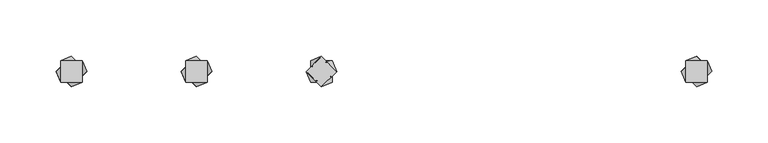
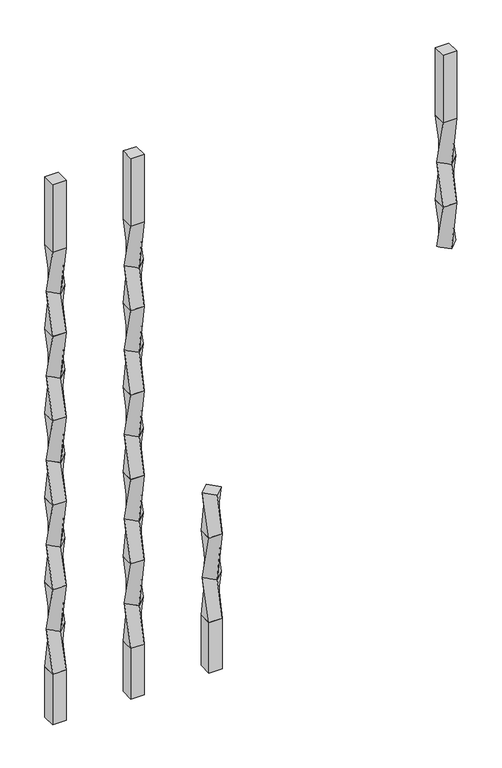
"""IFC4 building model written with IfcOpenShell, lengths in millimetres: proxy geometry."""

from ifc_helpers import new_model, si_unit, frame, origin, place, context, project, spatial, polyline, outline, extrude, source, transform, mapped, element, save
from ifc_brep_helpers import plane_surface, spline_surface, advanced_brep


def specialty_equipment_c4188301(model_context):
    return source(origin(), model_context, "Body", "SolidModel", [
        advanced_brep(
        [(0.0, 13.4703842, 368.3), (-13.4703842, 0.0, 368.3), (0.0, -13.4703842, 368.3), (13.4703842, 0.0, 368.3), (-9.525, 9.525, 304.8), (9.525, 9.525, 304.8), (9.525, -9.525, 304.8), (-9.525, -9.525, 304.8)],
        [
            (0, 1),
            (1, 2),
            (2, 3),
            (3, 0),
            (4, 5),
            (5, 6),
            (6, 7),
            (7, 4),
            (4, 0),
            (3, 5),
            (2, 6),
            (1, 7),
        ],
        [
            plane_surface(frame((0.0, 0.0, 368.3), z_axis=(0.0, 0.0, 1.0000000000000002), x_axis=(0.7071067811865481, -0.707106781186547, 0.0))),
            plane_surface(frame((0.0, 0.0, 304.8), z_axis=(0.0, 0.0, -1.0000000000000002), x_axis=(0.7071067811865481, -0.707106781186547, 0.0))),
            spline_surface(1, 1, [[(9.525, 9.525, 304.8), (13.4703842, 0.0, 368.3)], [(-9.525, 9.525, 304.8), (0.0, 13.4703842, 368.3)]], [2, 2], [2, 2], [0.0, 1.0], [0.0, 1.0]),
            spline_surface(1, 1, [[(9.525, -9.525, 304.8), (0.0, -13.4703842, 368.3)], [(9.525, 9.525, 304.8), (13.4703842, 0.0, 368.3)]], [2, 2], [2, 2], [0.0, 1.0], [0.0, 1.0]),
            spline_surface(1, 1, [[(-9.525, -9.525, 304.8), (-13.4703842, 0.0, 368.3)], [(9.525, -9.525, 304.8), (0.0, -13.4703842, 368.3)]], [2, 2], [2, 2], [0.0, 1.0], [0.0, 1.0]),
            spline_surface(1, 1, [[(-9.525, 9.525, 304.8), (0.0, 13.4703842, 368.3)], [(-9.525, -9.525, 304.8), (-13.4703842, 0.0, 368.3)]], [2, 2], [2, 2], [0.0, 1.0], [0.0, 1.0]),
        ],
        [
            (0, [[1, 2, 3, 4]]),
            (1, [[5, 6, 7, 8]]),
            (2, [[-5, 9, -4, 10]]),
            (3, [[-6, -10, -3, 11]]),
            (4, [[-7, -11, -2, 12]]),
            (5, [[-8, -12, -1, -9]]),
        ],
    ),
        advanced_brep(
        [(-9.525, 9.525, 304.8), (-9.525, -9.525, 304.8), (9.525, -9.525, 304.8), (9.525, 9.525, 304.8), (0.0, 13.4703842, 241.3), (13.4703842, 0.0, 241.3), (0.0, -13.4703842, 241.3), (-13.4703842, 0.0, 241.3)],
        [
            (0, 1),
            (1, 2),
            (2, 3),
            (3, 0),
            (4, 5),
            (5, 6),
            (6, 7),
            (7, 4),
            (4, 0),
            (3, 5),
            (2, 6),
            (1, 7),
        ],
        [
            plane_surface(frame((0.0, 0.0, 304.8), z_axis=(0.0, 0.0, 1.0), x_axis=(0.0, -1.0, 0.0))),
            plane_surface(frame((0.0, 0.0, 241.3), z_axis=(0.0, 0.0, -1.0), x_axis=(0.0, -1.0, 0.0))),
            spline_surface(1, 1, [[(13.4703842, 0.0, 241.3), (9.525, 9.525, 304.8)], [(0.0, 13.4703842, 241.3), (-9.525, 9.525, 304.8)]], [2, 2], [2, 2], [0.0, 1.0], [0.0, 1.0]),
            spline_surface(1, 1, [[(0.0, -13.4703842, 241.3), (9.525, -9.525, 304.8)], [(13.4703842, 0.0, 241.3), (9.525, 9.525, 304.8)]], [2, 2], [2, 2], [0.0, 1.0], [0.0, 1.0]),
            spline_surface(1, 1, [[(-13.4703842, 0.0, 241.3), (-9.525, -9.525, 304.8)], [(0.0, -13.4703842, 241.3), (9.525, -9.525, 304.8)]], [2, 2], [2, 2], [0.0, 1.0], [0.0, 1.0]),
            spline_surface(1, 1, [[(0.0, 13.4703842, 241.3), (-9.525, 9.525, 304.8)], [(-13.4703842, 0.0, 241.3), (-9.525, -9.525, 304.8)]], [2, 2], [2, 2], [0.0, 1.0], [0.0, 1.0]),
        ],
        [
            (0, [[1, 2, 3, 4]]),
            (1, [[5, 6, 7, 8]]),
            (2, [[-5, 9, -4, 10]]),
            (3, [[-6, -10, -3, 11]]),
            (4, [[-7, -11, -2, 12]]),
            (5, [[-8, -12, -1, -9]]),
        ],
    ),
        advanced_brep(
        [(0.0, 13.4703842, 241.3), (-13.4703842, 0.0, 241.3), (0.0, -13.4703842, 241.3), (13.4703842, 0.0, 241.3), (-9.525, 9.525, 177.8), (9.525, 9.525, 177.8), (9.525, -9.525, 177.8), (-9.525, -9.525, 177.8)],
        [
            (0, 1),
            (1, 2),
            (2, 3),
            (3, 0),
            (4, 5),
            (5, 6),
            (6, 7),
            (7, 4),
            (4, 0),
            (3, 5),
            (2, 6),
            (1, 7),
        ],
        [
            plane_surface(frame((0.0, 0.0, 241.3), z_axis=(0.0, 0.0, 1.0000000000000002), x_axis=(0.7071067811865481, -0.707106781186547, 0.0))),
            plane_surface(frame((0.0, 0.0, 177.8), z_axis=(0.0, 0.0, -1.0000000000000002), x_axis=(0.7071067811865481, -0.707106781186547, 0.0))),
            spline_surface(1, 1, [[(9.525, 9.525, 177.8), (13.4703842, 0.0, 241.3)], [(-9.525, 9.525, 177.8), (0.0, 13.4703842, 241.3)]], [2, 2], [2, 2], [0.0, 1.0], [0.0, 1.0]),
            spline_surface(1, 1, [[(9.525, -9.525, 177.8), (0.0, -13.4703842, 241.3)], [(9.525, 9.525, 177.8), (13.4703842, 0.0, 241.3)]], [2, 2], [2, 2], [0.0, 1.0], [0.0, 1.0]),
            spline_surface(1, 1, [[(-9.525, -9.525, 177.8), (-13.4703842, 0.0, 241.3)], [(9.525, -9.525, 177.8), (0.0, -13.4703842, 241.3)]], [2, 2], [2, 2], [0.0, 1.0], [0.0, 1.0]),
            spline_surface(1, 1, [[(-9.525, 9.525, 177.8), (0.0, 13.4703842, 241.3)], [(-9.525, -9.525, 177.8), (-13.4703842, 0.0, 241.3)]], [2, 2], [2, 2], [0.0, 1.0], [0.0, 1.0]),
        ],
        [
            (0, [[1, 2, 3, 4]]),
            (1, [[5, 6, 7, 8]]),
            (2, [[-5, 9, -4, 10]]),
            (3, [[-6, -10, -3, 11]]),
            (4, [[-7, -11, -2, 12]]),
            (5, [[-8, -12, -1, -9]]),
        ],
    ),
        extrude(outline(polyline([(9.525, 9.525), (9.525, -9.525), (-9.525, -9.525), (-9.525, 9.525), (9.525, 9.525)])), frame((0.0, 0.0, 101.6), z_axis=(0.0, 0.0, 1.0), x_axis=(1.0, 0.0, 0.0)), (0.0, 0.0, 1.0), 76.2),
        extrude(outline(polyline([(-101.6, 9.525), (-101.6, -9.525), (-120.65, -9.525), (-120.65, 9.525), (-101.6, 9.525)])), frame((0.0, 0.0, 812.8), z_axis=(0.0, 0.0, 1.0), x_axis=(1.0, 0.0, 0.0)), (0.0, 0.0, 1.0), 101.6),
        advanced_brep(
        [(-120.65, 9.525, 812.8), (-120.65, -9.525, 812.8), (-101.6, -9.525, 812.8), (-101.6, 9.525, 812.8), (-111.125, 13.4703842, 749.3), (-97.6546158, 0.0, 749.3), (-111.125, -13.4703842, 749.3), (-124.5953842, 0.0, 749.3)],
        [
            (0, 1),
            (1, 2),
            (2, 3),
            (3, 0),
            (4, 5),
            (5, 6),
            (6, 7),
            (7, 4),
            (4, 0),
            (3, 5),
            (2, 6),
            (1, 7),
        ],
        [
            plane_surface(frame((-111.125, 0.0, 812.8), z_axis=(0.0, 0.0, 1.0), x_axis=(0.0, -1.0, 0.0))),
            plane_surface(frame((-111.125, 0.0, 749.3), z_axis=(0.0, 0.0, -1.0), x_axis=(0.0, -1.0, 0.0))),
            spline_surface(1, 1, [[(-97.6546158, 0.0, 749.3), (-101.6, 9.525, 812.8)], [(-111.125, 13.4703842, 749.3), (-120.65, 9.525, 812.8)]], [2, 2], [2, 2], [0.0, 1.0], [0.0, 1.0]),
            spline_surface(1, 1, [[(-111.125, -13.4703842, 749.3), (-101.6, -9.525, 812.8)], [(-97.6546158, 0.0, 749.3), (-101.6, 9.525, 812.8)]], [2, 2], [2, 2], [0.0, 1.0], [0.0, 1.0]),
            spline_surface(1, 1, [[(-124.5953842, 0.0, 749.3), (-120.65, -9.525, 812.8)], [(-111.125, -13.4703842, 749.3), (-101.6, -9.525, 812.8)]], [2, 2], [2, 2], [0.0, 1.0], [0.0, 1.0]),
            spline_surface(1, 1, [[(-111.125, 13.4703842, 749.3), (-120.65, 9.525, 812.8)], [(-124.5953842, 0.0, 749.3), (-120.65, -9.525, 812.8)]], [2, 2], [2, 2], [0.0, 1.0], [0.0, 1.0]),
        ],
        [
            (0, [[1, 2, 3, 4]]),
            (1, [[5, 6, 7, 8]]),
            (2, [[-5, 9, -4, 10]]),
            (3, [[-6, -10, -3, 11]]),
            (4, [[-7, -11, -2, 12]]),
            (5, [[-8, -12, -1, -9]]),
        ],
    ),
        advanced_brep(
        [(-111.125, 13.4703842, 749.3), (-124.5953842, 0.0, 749.3), (-111.125, -13.4703842, 749.3), (-97.6546158, 0.0, 749.3), (-120.65, 9.525, 685.8), (-101.6, 9.525, 685.8), (-101.6, -9.525, 685.8), (-120.65, -9.525, 685.8)],
        [
            (0, 1),
            (1, 2),
            (2, 3),
            (3, 0),
            (4, 5),
            (5, 6),
            (6, 7),
            (7, 4),
            (4, 0),
            (3, 5),
            (2, 6),
            (1, 7),
        ],
        [
            plane_surface(frame((-111.125, 0.0, 749.3), z_axis=(0.0, 0.0, 1.0000000000000002), x_axis=(0.7071067811865481, -0.707106781186547, 0.0))),
            plane_surface(frame((-111.125, 0.0, 685.8), z_axis=(0.0, 0.0, -1.0000000000000002), x_axis=(0.7071067811865481, -0.707106781186547, 0.0))),
            spline_surface(1, 1, [[(-101.6, 9.525, 685.8), (-97.6546158, 0.0, 749.3)], [(-120.65, 9.525, 685.8), (-111.125, 13.4703842, 749.3)]], [2, 2], [2, 2], [0.0, 1.0], [0.0, 1.0]),
            spline_surface(1, 1, [[(-101.6, -9.525, 685.8), (-111.125, -13.4703842, 749.3)], [(-101.6, 9.525, 685.8), (-97.6546158, 0.0, 749.3)]], [2, 2], [2, 2], [0.0, 1.0], [0.0, 1.0]),
            spline_surface(1, 1, [[(-120.65, -9.525, 685.8), (-124.5953842, 0.0, 749.3)], [(-101.6, -9.525, 685.8), (-111.125, -13.4703842, 749.3)]], [2, 2], [2, 2], [0.0, 1.0], [0.0, 1.0]),
            spline_surface(1, 1, [[(-120.65, 9.525, 685.8), (-111.125, 13.4703842, 749.3)], [(-120.65, -9.525, 685.8), (-124.5953842, 0.0, 749.3)]], [2, 2], [2, 2], [0.0, 1.0], [0.0, 1.0]),
        ],
        [
            (0, [[1, 2, 3, 4]]),
            (1, [[5, 6, 7, 8]]),
            (2, [[-5, 9, -4, 10]]),
            (3, [[-6, -10, -3, 11]]),
            (4, [[-7, -11, -2, 12]]),
            (5, [[-8, -12, -1, -9]]),
        ],
    ),
        advanced_brep(
        [(-120.65, 9.525, 685.8), (-120.65, -9.525, 685.8), (-101.6, -9.525, 685.8), (-101.6, 9.525, 685.8), (-111.125, 13.4703842, 622.3), (-97.6546158, 0.0, 622.3), (-111.125, -13.4703842, 622.3), (-124.5953842, 0.0, 622.3)],
        [
            (0, 1),
            (1, 2),
            (2, 3),
            (3, 0),
            (4, 5),
            (5, 6),
            (6, 7),
            (7, 4),
            (4, 0),
            (3, 5),
            (2, 6),
            (1, 7),
        ],
        [
            plane_surface(frame((-111.125, 0.0, 685.8), z_axis=(0.0, 0.0, 1.0), x_axis=(0.0, -1.0, 0.0))),
            plane_surface(frame((-111.125, 0.0, 622.3), z_axis=(0.0, 0.0, -1.0), x_axis=(0.0, -1.0, 0.0))),
            spline_surface(1, 1, [[(-97.6546158, 0.0, 622.3), (-101.6, 9.525, 685.8)], [(-111.125, 13.4703842, 622.3), (-120.65, 9.525, 685.8)]], [2, 2], [2, 2], [0.0, 1.0], [0.0, 1.0]),
            spline_surface(1, 1, [[(-111.125, -13.4703842, 622.3), (-101.6, -9.525, 685.8)], [(-97.6546158, 0.0, 622.3), (-101.6, 9.525, 685.8)]], [2, 2], [2, 2], [0.0, 1.0], [0.0, 1.0]),
            spline_surface(1, 1, [[(-124.5953842, 0.0, 622.3), (-120.65, -9.525, 685.8)], [(-111.125, -13.4703842, 622.3), (-101.6, -9.525, 685.8)]], [2, 2], [2, 2], [0.0, 1.0], [0.0, 1.0]),
            spline_surface(1, 1, [[(-111.125, 13.4703842, 622.3), (-120.65, 9.525, 685.8)], [(-124.5953842, 0.0, 622.3), (-120.65, -9.525, 685.8)]], [2, 2], [2, 2], [0.0, 1.0], [0.0, 1.0]),
        ],
        [
            (0, [[1, 2, 3, 4]]),
            (1, [[5, 6, 7, 8]]),
            (2, [[-5, 9, -4, 10]]),
            (3, [[-6, -10, -3, 11]]),
            (4, [[-7, -11, -2, 12]]),
            (5, [[-8, -12, -1, -9]]),
        ],
    ),
        advanced_brep(
        [(-111.125, 13.4703842, 622.3), (-124.5953842, 0.0, 622.3), (-111.125, -13.4703842, 622.3), (-97.6546158, 0.0, 622.3), (-120.65, 9.525, 558.8), (-101.6, 9.525, 558.8), (-101.6, -9.525, 558.8), (-120.65, -9.525, 558.8)],
        [
            (0, 1),
            (1, 2),
            (2, 3),
            (3, 0),
            (4, 5),
            (5, 6),
            (6, 7),
            (7, 4),
            (4, 0),
            (3, 5),
            (2, 6),
            (1, 7),
        ],
        [
            plane_surface(frame((-111.125, 0.0, 622.3), z_axis=(0.0, 0.0, 1.0000000000000002), x_axis=(0.7071067811865481, -0.707106781186547, 0.0))),
            plane_surface(frame((-111.125, 0.0, 558.8), z_axis=(0.0, 0.0, -1.0000000000000002), x_axis=(0.7071067811865481, -0.707106781186547, 0.0))),
            spline_surface(1, 1, [[(-101.6, 9.525, 558.8), (-97.6546158, 0.0, 622.3)], [(-120.65, 9.525, 558.8), (-111.125, 13.4703842, 622.3)]], [2, 2], [2, 2], [0.0, 1.0], [0.0, 1.0]),
            spline_surface(1, 1, [[(-101.6, -9.525, 558.8), (-111.125, -13.4703842, 622.3)], [(-101.6, 9.525, 558.8), (-97.6546158, 0.0, 622.3)]], [2, 2], [2, 2], [0.0, 1.0], [0.0, 1.0]),
            spline_surface(1, 1, [[(-120.65, -9.525, 558.8), (-124.5953842, 0.0, 622.3)], [(-101.6, -9.525, 558.8), (-111.125, -13.4703842, 622.3)]], [2, 2], [2, 2], [0.0, 1.0], [0.0, 1.0]),
            spline_surface(1, 1, [[(-120.65, 9.525, 558.8), (-111.125, 13.4703842, 622.3)], [(-120.65, -9.525, 558.8), (-124.5953842, 0.0, 622.3)]], [2, 2], [2, 2], [0.0, 1.0], [0.0, 1.0]),
        ],
        [
            (0, [[1, 2, 3, 4]]),
            (1, [[5, 6, 7, 8]]),
            (2, [[-5, 9, -4, 10]]),
            (3, [[-6, -10, -3, 11]]),
            (4, [[-7, -11, -2, 12]]),
            (5, [[-8, -12, -1, -9]]),
        ],
    ),
        advanced_brep(
        [(-120.65, 9.525, 558.8), (-120.65, -9.525, 558.8), (-101.6, -9.525, 558.8), (-101.6, 9.525, 558.8), (-111.125, 13.4703842, 495.3), (-97.6546158, 0.0, 495.3), (-111.125, -13.4703842, 495.3), (-124.5953842, 0.0, 495.3)],
        [
            (0, 1),
            (1, 2),
            (2, 3),
            (3, 0),
            (4, 5),
            (5, 6),
            (6, 7),
            (7, 4),
            (4, 0),
            (3, 5),
            (2, 6),
            (1, 7),
        ],
        [
            plane_surface(frame((-111.125, 0.0, 558.8), z_axis=(0.0, 0.0, 1.0), x_axis=(0.0, -1.0, 0.0))),
            plane_surface(frame((-111.125, 0.0, 495.3), z_axis=(0.0, 0.0, -1.0), x_axis=(0.0, -1.0, 0.0))),
            spline_surface(1, 1, [[(-97.6546158, 0.0, 495.3), (-101.6, 9.525, 558.8)], [(-111.125, 13.4703842, 495.3), (-120.65, 9.525, 558.8)]], [2, 2], [2, 2], [0.0, 1.0], [0.0, 1.0]),
            spline_surface(1, 1, [[(-111.125, -13.4703842, 495.3), (-101.6, -9.525, 558.8)], [(-97.6546158, 0.0, 495.3), (-101.6, 9.525, 558.8)]], [2, 2], [2, 2], [0.0, 1.0], [0.0, 1.0]),
            spline_surface(1, 1, [[(-124.5953842, 0.0, 495.3), (-120.65, -9.525, 558.8)], [(-111.125, -13.4703842, 495.3), (-101.6, -9.525, 558.8)]], [2, 2], [2, 2], [0.0, 1.0], [0.0, 1.0]),
            spline_surface(1, 1, [[(-111.125, 13.4703842, 495.3), (-120.65, 9.525, 558.8)], [(-124.5953842, 0.0, 495.3), (-120.65, -9.525, 558.8)]], [2, 2], [2, 2], [0.0, 1.0], [0.0, 1.0]),
        ],
        [
            (0, [[1, 2, 3, 4]]),
            (1, [[5, 6, 7, 8]]),
            (2, [[-5, 9, -4, 10]]),
            (3, [[-6, -10, -3, 11]]),
            (4, [[-7, -11, -2, 12]]),
            (5, [[-8, -12, -1, -9]]),
        ],
    ),
        advanced_brep(
        [(-111.125, 13.4703842, 495.3), (-124.5953842, 0.0, 495.3), (-111.125, -13.4703842, 495.3), (-97.6546158, 0.0, 495.3), (-120.65, 9.525, 431.8), (-101.6, 9.525, 431.8), (-101.6, -9.525, 431.8), (-120.65, -9.525, 431.8)],
        [
            (0, 1),
            (1, 2),
            (2, 3),
            (3, 0),
            (4, 5),
            (5, 6),
            (6, 7),
            (7, 4),
            (4, 0),
            (3, 5),
            (2, 6),
            (1, 7),
        ],
        [
            plane_surface(frame((-111.125, 0.0, 495.3), z_axis=(0.0, 0.0, 1.0000000000000002), x_axis=(0.7071067811865481, -0.707106781186547, 0.0))),
            plane_surface(frame((-111.125, 0.0, 431.8), z_axis=(0.0, 0.0, -1.0000000000000002), x_axis=(0.7071067811865481, -0.707106781186547, 0.0))),
            spline_surface(1, 1, [[(-101.6, 9.525, 431.8), (-97.6546158, 0.0, 495.3)], [(-120.65, 9.525, 431.8), (-111.125, 13.4703842, 495.3)]], [2, 2], [2, 2], [0.0, 1.0], [0.0, 1.0]),
            spline_surface(1, 1, [[(-101.6, -9.525, 431.8), (-111.125, -13.4703842, 495.3)], [(-101.6, 9.525, 431.8), (-97.6546158, 0.0, 495.3)]], [2, 2], [2, 2], [0.0, 1.0], [0.0, 1.0]),
            spline_surface(1, 1, [[(-120.65, -9.525, 431.8), (-124.5953842, 0.0, 495.3)], [(-101.6, -9.525, 431.8), (-111.125, -13.4703842, 495.3)]], [2, 2], [2, 2], [0.0, 1.0], [0.0, 1.0]),
            spline_surface(1, 1, [[(-120.65, 9.525, 431.8), (-111.125, 13.4703842, 495.3)], [(-120.65, -9.525, 431.8), (-124.5953842, 0.0, 495.3)]], [2, 2], [2, 2], [0.0, 1.0], [0.0, 1.0]),
        ],
        [
            (0, [[1, 2, 3, 4]]),
            (1, [[5, 6, 7, 8]]),
            (2, [[-5, 9, -4, 10]]),
            (3, [[-6, -10, -3, 11]]),
            (4, [[-7, -11, -2, 12]]),
            (5, [[-8, -12, -1, -9]]),
        ],
    ),
        advanced_brep(
        [(-120.65, 9.525, 431.8), (-120.65, -9.525, 431.8), (-101.6, -9.525, 431.8), (-101.6, 9.525, 431.8), (-111.125, 13.4703842, 368.3), (-97.6546158, 0.0, 368.3), (-111.125, -13.4703842, 368.3), (-124.5953842, 0.0, 368.3)],
        [
            (0, 1),
            (1, 2),
            (2, 3),
            (3, 0),
            (4, 5),
            (5, 6),
            (6, 7),
            (7, 4),
            (4, 0),
            (3, 5),
            (2, 6),
            (1, 7),
        ],
        [
            plane_surface(frame((-111.125, 0.0, 431.8), z_axis=(0.0, 0.0, 1.0), x_axis=(0.0, -1.0, 0.0))),
            plane_surface(frame((-111.125, 0.0, 368.3), z_axis=(0.0, 0.0, -1.0), x_axis=(0.0, -1.0, 0.0))),
            spline_surface(1, 1, [[(-97.6546158, 0.0, 368.3), (-101.6, 9.525, 431.8)], [(-111.125, 13.4703842, 368.3), (-120.65, 9.525, 431.8)]], [2, 2], [2, 2], [0.0, 1.0], [0.0, 1.0]),
            spline_surface(1, 1, [[(-111.125, -13.4703842, 368.3), (-101.6, -9.525, 431.8)], [(-97.6546158, 0.0, 368.3), (-101.6, 9.525, 431.8)]], [2, 2], [2, 2], [0.0, 1.0], [0.0, 1.0]),
            spline_surface(1, 1, [[(-124.5953842, 0.0, 368.3), (-120.65, -9.525, 431.8)], [(-111.125, -13.4703842, 368.3), (-101.6, -9.525, 431.8)]], [2, 2], [2, 2], [0.0, 1.0], [0.0, 1.0]),
            spline_surface(1, 1, [[(-111.125, 13.4703842, 368.3), (-120.65, 9.525, 431.8)], [(-124.5953842, 0.0, 368.3), (-120.65, -9.525, 431.8)]], [2, 2], [2, 2], [0.0, 1.0], [0.0, 1.0]),
        ],
        [
            (0, [[1, 2, 3, 4]]),
            (1, [[5, 6, 7, 8]]),
            (2, [[-5, 9, -4, 10]]),
            (3, [[-6, -10, -3, 11]]),
            (4, [[-7, -11, -2, 12]]),
            (5, [[-8, -12, -1, -9]]),
        ],
    ),
        advanced_brep(
        [(-111.125, 13.4703842, 368.3), (-124.5953842, 0.0, 368.3), (-111.125, -13.4703842, 368.3), (-97.6546158, 0.0, 368.3), (-120.65, 9.525, 304.8), (-101.6, 9.525, 304.8), (-101.6, -9.525, 304.8), (-120.65, -9.525, 304.8)],
        [
            (0, 1),
            (1, 2),
            (2, 3),
            (3, 0),
            (4, 5),
            (5, 6),
            (6, 7),
            (7, 4),
            (4, 0),
            (3, 5),
            (2, 6),
            (1, 7),
        ],
        [
            plane_surface(frame((-111.125, 0.0, 368.3), z_axis=(0.0, 0.0, 1.0000000000000002), x_axis=(0.7071067811865481, -0.707106781186547, 0.0))),
            plane_surface(frame((-111.125, 0.0, 304.8), z_axis=(0.0, 0.0, -1.0000000000000002), x_axis=(0.7071067811865481, -0.707106781186547, 0.0))),
            spline_surface(1, 1, [[(-101.6, 9.525, 304.8), (-97.6546158, 0.0, 368.3)], [(-120.65, 9.525, 304.8), (-111.125, 13.4703842, 368.3)]], [2, 2], [2, 2], [0.0, 1.0], [0.0, 1.0]),
            spline_surface(1, 1, [[(-101.6, -9.525, 304.8), (-111.125, -13.4703842, 368.3)], [(-101.6, 9.525, 304.8), (-97.6546158, 0.0, 368.3)]], [2, 2], [2, 2], [0.0, 1.0], [0.0, 1.0]),
            spline_surface(1, 1, [[(-120.65, -9.525, 304.8), (-124.5953842, 0.0, 368.3)], [(-101.6, -9.525, 304.8), (-111.125, -13.4703842, 368.3)]], [2, 2], [2, 2], [0.0, 1.0], [0.0, 1.0]),
            spline_surface(1, 1, [[(-120.65, 9.525, 304.8), (-111.125, 13.4703842, 368.3)], [(-120.65, -9.525, 304.8), (-124.5953842, 0.0, 368.3)]], [2, 2], [2, 2], [0.0, 1.0], [0.0, 1.0]),
        ],
        [
            (0, [[1, 2, 3, 4]]),
            (1, [[5, 6, 7, 8]]),
            (2, [[-5, 9, -4, 10]]),
            (3, [[-6, -10, -3, 11]]),
            (4, [[-7, -11, -2, 12]]),
            (5, [[-8, -12, -1, -9]]),
        ],
    ),
        advanced_brep(
        [(-120.65, 9.525, 304.8), (-120.65, -9.525, 304.8), (-101.6, -9.525, 304.8), (-101.6, 9.525, 304.8), (-111.125, 13.4703842, 241.3), (-97.6546158, 0.0, 241.3), (-111.125, -13.4703842, 241.3), (-124.5953842, 0.0, 241.3)],
        [
            (0, 1),
            (1, 2),
            (2, 3),
            (3, 0),
            (4, 5),
            (5, 6),
            (6, 7),
            (7, 4),
            (4, 0),
            (3, 5),
            (2, 6),
            (1, 7),
        ],
        [
            plane_surface(frame((-111.125, 0.0, 304.8), z_axis=(0.0, 0.0, 1.0), x_axis=(0.0, -1.0, 0.0))),
            plane_surface(frame((-111.125, 0.0, 241.3), z_axis=(0.0, 0.0, -1.0), x_axis=(0.0, -1.0, 0.0))),
            spline_surface(1, 1, [[(-97.6546158, 0.0, 241.3), (-101.6, 9.525, 304.8)], [(-111.125, 13.4703842, 241.3), (-120.65, 9.525, 304.8)]], [2, 2], [2, 2], [0.0, 1.0], [0.0, 1.0]),
            spline_surface(1, 1, [[(-111.125, -13.4703842, 241.3), (-101.6, -9.525, 304.8)], [(-97.6546158, 0.0, 241.3), (-101.6, 9.525, 304.8)]], [2, 2], [2, 2], [0.0, 1.0], [0.0, 1.0]),
            spline_surface(1, 1, [[(-124.5953842, 0.0, 241.3), (-120.65, -9.525, 304.8)], [(-111.125, -13.4703842, 241.3), (-101.6, -9.525, 304.8)]], [2, 2], [2, 2], [0.0, 1.0], [0.0, 1.0]),
            spline_surface(1, 1, [[(-111.125, 13.4703842, 241.3), (-120.65, 9.525, 304.8)], [(-124.5953842, 0.0, 241.3), (-120.65, -9.525, 304.8)]], [2, 2], [2, 2], [0.0, 1.0], [0.0, 1.0]),
        ],
        [
            (0, [[1, 2, 3, 4]]),
            (1, [[5, 6, 7, 8]]),
            (2, [[-5, 9, -4, 10]]),
            (3, [[-6, -10, -3, 11]]),
            (4, [[-7, -11, -2, 12]]),
            (5, [[-8, -12, -1, -9]]),
        ],
    ),
        advanced_brep(
        [(-111.125, 13.4703842, 241.3), (-124.5953842, 0.0, 241.3), (-111.125, -13.4703842, 241.3), (-97.6546158, 0.0, 241.3), (-120.65, 9.525, 177.8), (-101.6, 9.525, 177.8), (-101.6, -9.525, 177.8), (-120.65, -9.525, 177.8)],
        [
            (0, 1),
            (1, 2),
            (2, 3),
            (3, 0),
            (4, 5),
            (5, 6),
            (6, 7),
            (7, 4),
            (4, 0),
            (3, 5),
            (2, 6),
            (1, 7),
        ],
        [
            plane_surface(frame((-111.125, 0.0, 241.3), z_axis=(0.0, 0.0, 1.0000000000000002), x_axis=(0.7071067811865481, -0.707106781186547, 0.0))),
            plane_surface(frame((-111.125, 0.0, 177.8), z_axis=(0.0, 0.0, -1.0000000000000002), x_axis=(0.7071067811865481, -0.707106781186547, 0.0))),
            spline_surface(1, 1, [[(-101.6, 9.525, 177.8), (-97.6546158, 0.0, 241.3)], [(-120.65, 9.525, 177.8), (-111.125, 13.4703842, 241.3)]], [2, 2], [2, 2], [0.0, 1.0], [0.0, 1.0]),
            spline_surface(1, 1, [[(-101.6, -9.525, 177.8), (-111.125, -13.4703842, 241.3)], [(-101.6, 9.525, 177.8), (-97.6546158, 0.0, 241.3)]], [2, 2], [2, 2], [0.0, 1.0], [0.0, 1.0]),
            spline_surface(1, 1, [[(-120.65, -9.525, 177.8), (-124.5953842, 0.0, 241.3)], [(-101.6, -9.525, 177.8), (-111.125, -13.4703842, 241.3)]], [2, 2], [2, 2], [0.0, 1.0], [0.0, 1.0]),
            spline_surface(1, 1, [[(-120.65, 9.525, 177.8), (-111.125, 13.4703842, 241.3)], [(-120.65, -9.525, 177.8), (-124.5953842, 0.0, 241.3)]], [2, 2], [2, 2], [0.0, 1.0], [0.0, 1.0]),
        ],
        [
            (0, [[1, 2, 3, 4]]),
            (1, [[5, 6, 7, 8]]),
            (2, [[-5, 9, -4, 10]]),
            (3, [[-6, -10, -3, 11]]),
            (4, [[-7, -11, -2, 12]]),
            (5, [[-8, -12, -1, -9]]),
        ],
    ),
        extrude(outline(polyline([(-101.6, 9.525), (-101.6, -9.525), (-120.65, -9.525), (-120.65, 9.525), (-101.6, 9.525)])), frame((0.0, 0.0, 101.6), z_axis=(0.0, 0.0, 1.0), x_axis=(1.0, 0.0, 0.0)), (0.0, 0.0, 1.0), 76.2),
        extrude(outline(polyline([(-212.725, 9.525), (-212.725, -9.525), (-231.775, -9.525), (-231.775, 9.525), (-212.725, 9.525)])), frame((0.0, 0.0, 812.8), z_axis=(0.0, 0.0, 1.0), x_axis=(1.0, 0.0, 0.0)), (0.0, 0.0, 1.0), 101.6),
        advanced_brep(
        [(-231.775, 9.525, 812.8), (-231.775, -9.525, 812.8), (-212.725, -9.525, 812.8), (-212.725, 9.525, 812.8), (-222.25, 13.4703842, 749.3), (-208.7796158, 0.0, 749.3), (-222.25, -13.4703842, 749.3), (-235.7203842, 0.0, 749.3)],
        [
            (0, 1),
            (1, 2),
            (2, 3),
            (3, 0),
            (4, 5),
            (5, 6),
            (6, 7),
            (7, 4),
            (4, 0),
            (3, 5),
            (2, 6),
            (1, 7),
        ],
        [
            plane_surface(frame((-222.25, 0.0, 812.8), z_axis=(0.0, 0.0, 1.0), x_axis=(0.0, -1.0, 0.0))),
            plane_surface(frame((-222.25, 0.0, 749.3), z_axis=(0.0, 0.0, -1.0), x_axis=(0.0, -1.0, 0.0))),
            spline_surface(1, 1, [[(-208.7796158, 0.0, 749.3), (-212.725, 9.525, 812.8)], [(-222.25, 13.4703842, 749.3), (-231.775, 9.525, 812.8)]], [2, 2], [2, 2], [0.0, 1.0], [0.0, 1.0]),
            spline_surface(1, 1, [[(-222.25, -13.4703842, 749.3), (-212.725, -9.525, 812.8)], [(-208.7796158, 0.0, 749.3), (-212.725, 9.525, 812.8)]], [2, 2], [2, 2], [0.0, 1.0], [0.0, 1.0]),
            spline_surface(1, 1, [[(-235.7203842, 0.0, 749.3), (-231.775, -9.525, 812.8)], [(-222.25, -13.4703842, 749.3), (-212.725, -9.525, 812.8)]], [2, 2], [2, 2], [0.0, 1.0], [0.0, 1.0]),
            spline_surface(1, 1, [[(-222.25, 13.4703842, 749.3), (-231.775, 9.525, 812.8)], [(-235.7203842, 0.0, 749.3), (-231.775, -9.525, 812.8)]], [2, 2], [2, 2], [0.0, 1.0], [0.0, 1.0]),
        ],
        [
            (0, [[1, 2, 3, 4]]),
            (1, [[5, 6, 7, 8]]),
            (2, [[-5, 9, -4, 10]]),
            (3, [[-6, -10, -3, 11]]),
            (4, [[-7, -11, -2, 12]]),
            (5, [[-8, -12, -1, -9]]),
        ],
    ),
        advanced_brep(
        [(-222.25, 13.4703842, 749.3), (-235.7203842, 0.0, 749.3), (-222.25, -13.4703842, 749.3), (-208.7796158, 0.0, 749.3), (-231.775, 9.525, 685.8), (-212.725, 9.525, 685.8), (-212.725, -9.525, 685.8), (-231.775, -9.525, 685.8)],
        [
            (0, 1),
            (1, 2),
            (2, 3),
            (3, 0),
            (4, 5),
            (5, 6),
            (6, 7),
            (7, 4),
            (4, 0),
            (3, 5),
            (2, 6),
            (1, 7),
        ],
        [
            plane_surface(frame((-222.25, 0.0, 749.3), z_axis=(0.0, 0.0, 1.0000000000000002), x_axis=(0.7071067811865481, -0.707106781186547, 0.0))),
            plane_surface(frame((-222.25, 0.0, 685.8), z_axis=(0.0, 0.0, -1.0000000000000002), x_axis=(0.7071067811865481, -0.707106781186547, 0.0))),
            spline_surface(1, 1, [[(-212.725, 9.525, 685.8), (-208.7796158, 0.0, 749.3)], [(-231.775, 9.525, 685.8), (-222.25, 13.4703842, 749.3)]], [2, 2], [2, 2], [0.0, 1.0], [0.0, 1.0]),
            spline_surface(1, 1, [[(-212.725, -9.525, 685.8), (-222.25, -13.4703842, 749.3)], [(-212.725, 9.525, 685.8), (-208.7796158, 0.0, 749.3)]], [2, 2], [2, 2], [0.0, 1.0], [0.0, 1.0]),
            spline_surface(1, 1, [[(-231.775, -9.525, 685.8), (-235.7203842, 0.0, 749.3)], [(-212.725, -9.525, 685.8), (-222.25, -13.4703842, 749.3)]], [2, 2], [2, 2], [0.0, 1.0], [0.0, 1.0]),
            spline_surface(1, 1, [[(-231.775, 9.525, 685.8), (-222.25, 13.4703842, 749.3)], [(-231.775, -9.525, 685.8), (-235.7203842, 0.0, 749.3)]], [2, 2], [2, 2], [0.0, 1.0], [0.0, 1.0]),
        ],
        [
            (0, [[1, 2, 3, 4]]),
            (1, [[5, 6, 7, 8]]),
            (2, [[-5, 9, -4, 10]]),
            (3, [[-6, -10, -3, 11]]),
            (4, [[-7, -11, -2, 12]]),
            (5, [[-8, -12, -1, -9]]),
        ],
    ),
        advanced_brep(
        [(-231.775, 9.525, 685.8), (-231.775, -9.525, 685.8), (-212.725, -9.525, 685.8), (-212.725, 9.525, 685.8), (-222.25, 13.4703842, 622.3), (-208.7796158, 0.0, 622.3), (-222.25, -13.4703842, 622.3), (-235.7203842, 0.0, 622.3)],
        [
            (0, 1),
            (1, 2),
            (2, 3),
            (3, 0),
            (4, 5),
            (5, 6),
            (6, 7),
            (7, 4),
            (4, 0),
            (3, 5),
            (2, 6),
            (1, 7),
        ],
        [
            plane_surface(frame((-222.25, 0.0, 685.8), z_axis=(0.0, 0.0, 1.0), x_axis=(0.0, -1.0, 0.0))),
            plane_surface(frame((-222.25, 0.0, 622.3), z_axis=(0.0, 0.0, -1.0), x_axis=(0.0, -1.0, 0.0))),
            spline_surface(1, 1, [[(-208.7796158, 0.0, 622.3), (-212.725, 9.525, 685.8)], [(-222.25, 13.4703842, 622.3), (-231.775, 9.525, 685.8)]], [2, 2], [2, 2], [0.0, 1.0], [0.0, 1.0]),
            spline_surface(1, 1, [[(-222.25, -13.4703842, 622.3), (-212.725, -9.525, 685.8)], [(-208.7796158, 0.0, 622.3), (-212.725, 9.525, 685.8)]], [2, 2], [2, 2], [0.0, 1.0], [0.0, 1.0]),
            spline_surface(1, 1, [[(-235.7203842, 0.0, 622.3), (-231.775, -9.525, 685.8)], [(-222.25, -13.4703842, 622.3), (-212.725, -9.525, 685.8)]], [2, 2], [2, 2], [0.0, 1.0], [0.0, 1.0]),
            spline_surface(1, 1, [[(-222.25, 13.4703842, 622.3), (-231.775, 9.525, 685.8)], [(-235.7203842, 0.0, 622.3), (-231.775, -9.525, 685.8)]], [2, 2], [2, 2], [0.0, 1.0], [0.0, 1.0]),
        ],
        [
            (0, [[1, 2, 3, 4]]),
            (1, [[5, 6, 7, 8]]),
            (2, [[-5, 9, -4, 10]]),
            (3, [[-6, -10, -3, 11]]),
            (4, [[-7, -11, -2, 12]]),
            (5, [[-8, -12, -1, -9]]),
        ],
    ),
        advanced_brep(
        [(-222.25, 13.4703842, 622.3), (-235.7203842, 0.0, 622.3), (-222.25, -13.4703842, 622.3), (-208.7796158, 0.0, 622.3), (-231.775, 9.525, 558.8), (-212.725, 9.525, 558.8), (-212.725, -9.525, 558.8), (-231.775, -9.525, 558.8)],
        [
            (0, 1),
            (1, 2),
            (2, 3),
            (3, 0),
            (4, 5),
            (5, 6),
            (6, 7),
            (7, 4),
            (4, 0),
            (3, 5),
            (2, 6),
            (1, 7),
        ],
        [
            plane_surface(frame((-222.25, 0.0, 622.3), z_axis=(0.0, 0.0, 1.0000000000000002), x_axis=(0.7071067811865481, -0.707106781186547, 0.0))),
            plane_surface(frame((-222.25, 0.0, 558.8), z_axis=(0.0, 0.0, -1.0000000000000002), x_axis=(0.7071067811865481, -0.707106781186547, 0.0))),
            spline_surface(1, 1, [[(-212.725, 9.525, 558.8), (-208.7796158, 0.0, 622.3)], [(-231.775, 9.525, 558.8), (-222.25, 13.4703842, 622.3)]], [2, 2], [2, 2], [0.0, 1.0], [0.0, 1.0]),
            spline_surface(1, 1, [[(-212.725, -9.525, 558.8), (-222.25, -13.4703842, 622.3)], [(-212.725, 9.525, 558.8), (-208.7796158, 0.0, 622.3)]], [2, 2], [2, 2], [0.0, 1.0], [0.0, 1.0]),
            spline_surface(1, 1, [[(-231.775, -9.525, 558.8), (-235.7203842, 0.0, 622.3)], [(-212.725, -9.525, 558.8), (-222.25, -13.4703842, 622.3)]], [2, 2], [2, 2], [0.0, 1.0], [0.0, 1.0]),
            spline_surface(1, 1, [[(-231.775, 9.525, 558.8), (-222.25, 13.4703842, 622.3)], [(-231.775, -9.525, 558.8), (-235.7203842, 0.0, 622.3)]], [2, 2], [2, 2], [0.0, 1.0], [0.0, 1.0]),
        ],
        [
            (0, [[1, 2, 3, 4]]),
            (1, [[5, 6, 7, 8]]),
            (2, [[-5, 9, -4, 10]]),
            (3, [[-6, -10, -3, 11]]),
            (4, [[-7, -11, -2, 12]]),
            (5, [[-8, -12, -1, -9]]),
        ],
    ),
        advanced_brep(
        [(-231.775, 9.525, 558.8), (-231.775, -9.525, 558.8), (-212.725, -9.525, 558.8), (-212.725, 9.525, 558.8), (-222.25, 13.4703842, 495.3), (-208.7796158, 0.0, 495.3), (-222.25, -13.4703842, 495.3), (-235.7203842, 0.0, 495.3)],
        [
            (0, 1),
            (1, 2),
            (2, 3),
            (3, 0),
            (4, 5),
            (5, 6),
            (6, 7),
            (7, 4),
            (4, 0),
            (3, 5),
            (2, 6),
            (1, 7),
        ],
        [
            plane_surface(frame((-222.25, 0.0, 558.8), z_axis=(0.0, 0.0, 1.0), x_axis=(0.0, -1.0, 0.0))),
            plane_surface(frame((-222.25, 0.0, 495.3), z_axis=(0.0, 0.0, -1.0), x_axis=(0.0, -1.0, 0.0))),
            spline_surface(1, 1, [[(-208.7796158, 0.0, 495.3), (-212.725, 9.525, 558.8)], [(-222.25, 13.4703842, 495.3), (-231.775, 9.525, 558.8)]], [2, 2], [2, 2], [0.0, 1.0], [0.0, 1.0]),
            spline_surface(1, 1, [[(-222.25, -13.4703842, 495.3), (-212.725, -9.525, 558.8)], [(-208.7796158, 0.0, 495.3), (-212.725, 9.525, 558.8)]], [2, 2], [2, 2], [0.0, 1.0], [0.0, 1.0]),
            spline_surface(1, 1, [[(-235.7203842, 0.0, 495.3), (-231.775, -9.525, 558.8)], [(-222.25, -13.4703842, 495.3), (-212.725, -9.525, 558.8)]], [2, 2], [2, 2], [0.0, 1.0], [0.0, 1.0]),
            spline_surface(1, 1, [[(-222.25, 13.4703842, 495.3), (-231.775, 9.525, 558.8)], [(-235.7203842, 0.0, 495.3), (-231.775, -9.525, 558.8)]], [2, 2], [2, 2], [0.0, 1.0], [0.0, 1.0]),
        ],
        [
            (0, [[1, 2, 3, 4]]),
            (1, [[5, 6, 7, 8]]),
            (2, [[-5, 9, -4, 10]]),
            (3, [[-6, -10, -3, 11]]),
            (4, [[-7, -11, -2, 12]]),
            (5, [[-8, -12, -1, -9]]),
        ],
    ),
        advanced_brep(
        [(-222.25, 13.4703842, 495.3), (-235.7203842, 0.0, 495.3), (-222.25, -13.4703842, 495.3), (-208.7796158, 0.0, 495.3), (-231.775, 9.525, 431.8), (-212.725, 9.525, 431.8), (-212.725, -9.525, 431.8), (-231.775, -9.525, 431.8)],
        [
            (0, 1),
            (1, 2),
            (2, 3),
            (3, 0),
            (4, 5),
            (5, 6),
            (6, 7),
            (7, 4),
            (4, 0),
            (3, 5),
            (2, 6),
            (1, 7),
        ],
        [
            plane_surface(frame((-222.25, 0.0, 495.3), z_axis=(0.0, 0.0, 1.0000000000000002), x_axis=(0.7071067811865481, -0.707106781186547, 0.0))),
            plane_surface(frame((-222.25, 0.0, 431.8), z_axis=(0.0, 0.0, -1.0000000000000002), x_axis=(0.7071067811865481, -0.707106781186547, 0.0))),
            spline_surface(1, 1, [[(-212.725, 9.525, 431.8), (-208.7796158, 0.0, 495.3)], [(-231.775, 9.525, 431.8), (-222.25, 13.4703842, 495.3)]], [2, 2], [2, 2], [0.0, 1.0], [0.0, 1.0]),
            spline_surface(1, 1, [[(-212.725, -9.525, 431.8), (-222.25, -13.4703842, 495.3)], [(-212.725, 9.525, 431.8), (-208.7796158, 0.0, 495.3)]], [2, 2], [2, 2], [0.0, 1.0], [0.0, 1.0]),
            spline_surface(1, 1, [[(-231.775, -9.525, 431.8), (-235.7203842, 0.0, 495.3)], [(-212.725, -9.525, 431.8), (-222.25, -13.4703842, 495.3)]], [2, 2], [2, 2], [0.0, 1.0], [0.0, 1.0]),
            spline_surface(1, 1, [[(-231.775, 9.525, 431.8), (-222.25, 13.4703842, 495.3)], [(-231.775, -9.525, 431.8), (-235.7203842, 0.0, 495.3)]], [2, 2], [2, 2], [0.0, 1.0], [0.0, 1.0]),
        ],
        [
            (0, [[1, 2, 3, 4]]),
            (1, [[5, 6, 7, 8]]),
            (2, [[-5, 9, -4, 10]]),
            (3, [[-6, -10, -3, 11]]),
            (4, [[-7, -11, -2, 12]]),
            (5, [[-8, -12, -1, -9]]),
        ],
    ),
        advanced_brep(
        [(-231.775, 9.525, 431.8), (-231.775, -9.525, 431.8), (-212.725, -9.525, 431.8), (-212.725, 9.525, 431.8), (-222.25, 13.4703842, 368.3), (-208.7796158, 0.0, 368.3), (-222.25, -13.4703842, 368.3), (-235.7203842, 0.0, 368.3)],
        [
            (0, 1),
            (1, 2),
            (2, 3),
            (3, 0),
            (4, 5),
            (5, 6),
            (6, 7),
            (7, 4),
            (4, 0),
            (3, 5),
            (2, 6),
            (1, 7),
        ],
        [
            plane_surface(frame((-222.25, 0.0, 431.8), z_axis=(0.0, 0.0, 1.0), x_axis=(0.0, -1.0, 0.0))),
            plane_surface(frame((-222.25, 0.0, 368.3), z_axis=(0.0, 0.0, -1.0), x_axis=(0.0, -1.0, 0.0))),
            spline_surface(1, 1, [[(-208.7796158, 0.0, 368.3), (-212.725, 9.525, 431.8)], [(-222.25, 13.4703842, 368.3), (-231.775, 9.525, 431.8)]], [2, 2], [2, 2], [0.0, 1.0], [0.0, 1.0]),
            spline_surface(1, 1, [[(-222.25, -13.4703842, 368.3), (-212.725, -9.525, 431.8)], [(-208.7796158, 0.0, 368.3), (-212.725, 9.525, 431.8)]], [2, 2], [2, 2], [0.0, 1.0], [0.0, 1.0]),
            spline_surface(1, 1, [[(-235.7203842, 0.0, 368.3), (-231.775, -9.525, 431.8)], [(-222.25, -13.4703842, 368.3), (-212.725, -9.525, 431.8)]], [2, 2], [2, 2], [0.0, 1.0], [0.0, 1.0]),
            spline_surface(1, 1, [[(-222.25, 13.4703842, 368.3), (-231.775, 9.525, 431.8)], [(-235.7203842, 0.0, 368.3), (-231.775, -9.525, 431.8)]], [2, 2], [2, 2], [0.0, 1.0], [0.0, 1.0]),
        ],
        [
            (0, [[1, 2, 3, 4]]),
            (1, [[5, 6, 7, 8]]),
            (2, [[-5, 9, -4, 10]]),
            (3, [[-6, -10, -3, 11]]),
            (4, [[-7, -11, -2, 12]]),
            (5, [[-8, -12, -1, -9]]),
        ],
    ),
        advanced_brep(
        [(-222.25, 13.4703842, 368.3), (-235.7203842, 0.0, 368.3), (-222.25, -13.4703842, 368.3), (-208.7796158, 0.0, 368.3), (-231.775, 9.525, 304.8), (-212.725, 9.525, 304.8), (-212.725, -9.525, 304.8), (-231.775, -9.525, 304.8)],
        [
            (0, 1),
            (1, 2),
            (2, 3),
            (3, 0),
            (4, 5),
            (5, 6),
            (6, 7),
            (7, 4),
            (4, 0),
            (3, 5),
            (2, 6),
            (1, 7),
        ],
        [
            plane_surface(frame((-222.25, 0.0, 368.3), z_axis=(0.0, 0.0, 1.0000000000000002), x_axis=(0.7071067811865481, -0.707106781186547, 0.0))),
            plane_surface(frame((-222.25, 0.0, 304.8), z_axis=(0.0, 0.0, -1.0000000000000002), x_axis=(0.7071067811865481, -0.707106781186547, 0.0))),
            spline_surface(1, 1, [[(-212.725, 9.525, 304.8), (-208.7796158, 0.0, 368.3)], [(-231.775, 9.525, 304.8), (-222.25, 13.4703842, 368.3)]], [2, 2], [2, 2], [0.0, 1.0], [0.0, 1.0]),
            spline_surface(1, 1, [[(-212.725, -9.525, 304.8), (-222.25, -13.4703842, 368.3)], [(-212.725, 9.525, 304.8), (-208.7796158, 0.0, 368.3)]], [2, 2], [2, 2], [0.0, 1.0], [0.0, 1.0]),
            spline_surface(1, 1, [[(-231.775, -9.525, 304.8), (-235.7203842, 0.0, 368.3)], [(-212.725, -9.525, 304.8), (-222.25, -13.4703842, 368.3)]], [2, 2], [2, 2], [0.0, 1.0], [0.0, 1.0]),
            spline_surface(1, 1, [[(-231.775, 9.525, 304.8), (-222.25, 13.4703842, 368.3)], [(-231.775, -9.525, 304.8), (-235.7203842, 0.0, 368.3)]], [2, 2], [2, 2], [0.0, 1.0], [0.0, 1.0]),
        ],
        [
            (0, [[1, 2, 3, 4]]),
            (1, [[5, 6, 7, 8]]),
            (2, [[-5, 9, -4, 10]]),
            (3, [[-6, -10, -3, 11]]),
            (4, [[-7, -11, -2, 12]]),
            (5, [[-8, -12, -1, -9]]),
        ],
    ),
        advanced_brep(
        [(-231.775, 9.525, 304.8), (-231.775, -9.525, 304.8), (-212.725, -9.525, 304.8), (-212.725, 9.525, 304.8), (-222.25, 13.4703842, 241.3), (-208.7796158, 0.0, 241.3), (-222.25, -13.4703842, 241.3), (-235.7203842, 0.0, 241.3)],
        [
            (0, 1),
            (1, 2),
            (2, 3),
            (3, 0),
            (4, 5),
            (5, 6),
            (6, 7),
            (7, 4),
            (4, 0),
            (3, 5),
            (2, 6),
            (1, 7),
        ],
        [
            plane_surface(frame((-222.25, 0.0, 304.8), z_axis=(0.0, 0.0, 1.0), x_axis=(0.0, -1.0, 0.0))),
            plane_surface(frame((-222.25, 0.0, 241.3), z_axis=(0.0, 0.0, -1.0), x_axis=(0.0, -1.0, 0.0))),
            spline_surface(1, 1, [[(-208.7796158, 0.0, 241.3), (-212.725, 9.525, 304.8)], [(-222.25, 13.4703842, 241.3), (-231.775, 9.525, 304.8)]], [2, 2], [2, 2], [0.0, 1.0], [0.0, 1.0]),
            spline_surface(1, 1, [[(-222.25, -13.4703842, 241.3), (-212.725, -9.525, 304.8)], [(-208.7796158, 0.0, 241.3), (-212.725, 9.525, 304.8)]], [2, 2], [2, 2], [0.0, 1.0], [0.0, 1.0]),
            spline_surface(1, 1, [[(-235.7203842, 0.0, 241.3), (-231.775, -9.525, 304.8)], [(-222.25, -13.4703842, 241.3), (-212.725, -9.525, 304.8)]], [2, 2], [2, 2], [0.0, 1.0], [0.0, 1.0]),
            spline_surface(1, 1, [[(-222.25, 13.4703842, 241.3), (-231.775, 9.525, 304.8)], [(-235.7203842, 0.0, 241.3), (-231.775, -9.525, 304.8)]], [2, 2], [2, 2], [0.0, 1.0], [0.0, 1.0]),
        ],
        [
            (0, [[1, 2, 3, 4]]),
            (1, [[5, 6, 7, 8]]),
            (2, [[-5, 9, -4, 10]]),
            (3, [[-6, -10, -3, 11]]),
            (4, [[-7, -11, -2, 12]]),
            (5, [[-8, -12, -1, -9]]),
        ],
    ),
        advanced_brep(
        [(-222.25, 13.4703842, 241.3), (-235.7203842, 0.0, 241.3), (-222.25, -13.4703842, 241.3), (-208.7796158, 0.0, 241.3), (-231.775, 9.525, 177.8), (-212.725, 9.525, 177.8), (-212.725, -9.525, 177.8), (-231.775, -9.525, 177.8)],
        [
            (0, 1),
            (1, 2),
            (2, 3),
            (3, 0),
            (4, 5),
            (5, 6),
            (6, 7),
            (7, 4),
            (4, 0),
            (3, 5),
            (2, 6),
            (1, 7),
        ],
        [
            plane_surface(frame((-222.25, 0.0, 241.3), z_axis=(0.0, 0.0, 1.0000000000000002), x_axis=(0.7071067811865481, -0.707106781186547, 0.0))),
            plane_surface(frame((-222.25, 0.0, 177.8), z_axis=(0.0, 0.0, -1.0000000000000002), x_axis=(0.7071067811865481, -0.707106781186547, 0.0))),
            spline_surface(1, 1, [[(-212.725, 9.525, 177.8), (-208.7796158, 0.0, 241.3)], [(-231.775, 9.525, 177.8), (-222.25, 13.4703842, 241.3)]], [2, 2], [2, 2], [0.0, 1.0], [0.0, 1.0]),
            spline_surface(1, 1, [[(-212.725, -9.525, 177.8), (-222.25, -13.4703842, 241.3)], [(-212.725, 9.525, 177.8), (-208.7796158, 0.0, 241.3)]], [2, 2], [2, 2], [0.0, 1.0], [0.0, 1.0]),
            spline_surface(1, 1, [[(-231.775, -9.525, 177.8), (-235.7203842, 0.0, 241.3)], [(-212.725, -9.525, 177.8), (-222.25, -13.4703842, 241.3)]], [2, 2], [2, 2], [0.0, 1.0], [0.0, 1.0]),
            spline_surface(1, 1, [[(-231.775, 9.525, 177.8), (-222.25, 13.4703842, 241.3)], [(-231.775, -9.525, 177.8), (-235.7203842, 0.0, 241.3)]], [2, 2], [2, 2], [0.0, 1.0], [0.0, 1.0]),
        ],
        [
            (0, [[1, 2, 3, 4]]),
            (1, [[5, 6, 7, 8]]),
            (2, [[-5, 9, -4, 10]]),
            (3, [[-6, -10, -3, 11]]),
            (4, [[-7, -11, -2, 12]]),
            (5, [[-8, -12, -1, -9]]),
        ],
    ),
        extrude(outline(polyline([(-212.725, 9.525), (-212.725, -9.525), (-231.775, -9.525), (-231.775, 9.525), (-212.725, 9.525)])), frame((0.0, 0.0, 101.6), z_axis=(0.0, 0.0, 1.0), x_axis=(1.0, 0.0, 0.0)), (0.0, 0.0, 1.0), 76.2),
        extrude(outline(polyline([(342.9, 9.525), (342.9, -9.525), (323.85, -9.525), (323.85, 9.525), (342.9, 9.525)])), frame((0.0, 0.0, 812.8), z_axis=(0.0, 0.0, 1.0), x_axis=(1.0, 0.0, 0.0)), (0.0, 0.0, 1.0), 101.6),
        advanced_brep(
        [(323.85, 9.525, 812.8), (323.85, -9.525, 812.8), (342.9, -9.525, 812.8), (342.9, 9.525, 812.8), (333.375, 13.4703842, 749.3), (346.8453842, 0.0, 749.3), (333.375, -13.4703842, 749.3), (319.9046158, 0.0, 749.3)],
        [
            (0, 1),
            (1, 2),
            (2, 3),
            (3, 0),
            (4, 5),
            (5, 6),
            (6, 7),
            (7, 4),
            (4, 0),
            (3, 5),
            (2, 6),
            (1, 7),
        ],
        [
            plane_surface(frame((333.375, 0.0, 812.8), z_axis=(0.0, 0.0, 1.0), x_axis=(0.0, -1.0, 0.0))),
            plane_surface(frame((333.375, 0.0, 749.3), z_axis=(0.0, 0.0, -1.0), x_axis=(0.0, -1.0, 0.0))),
            spline_surface(1, 1, [[(346.8453842, 0.0, 749.3), (342.9, 9.525, 812.8)], [(333.375, 13.4703842, 749.3), (323.85, 9.525, 812.8)]], [2, 2], [2, 2], [0.0, 1.0], [0.0, 1.0]),
            spline_surface(1, 1, [[(333.375, -13.4703842, 749.3), (342.9, -9.525, 812.8)], [(346.8453842, 0.0, 749.3), (342.9, 9.525, 812.8)]], [2, 2], [2, 2], [0.0, 1.0], [0.0, 1.0]),
            spline_surface(1, 1, [[(319.9046158, 0.0, 749.3), (323.85, -9.525, 812.8)], [(333.375, -13.4703842, 749.3), (342.9, -9.525, 812.8)]], [2, 2], [2, 2], [0.0, 1.0], [0.0, 1.0]),
            spline_surface(1, 1, [[(333.375, 13.4703842, 749.3), (323.85, 9.525, 812.8)], [(319.9046158, 0.0, 749.3), (323.85, -9.525, 812.8)]], [2, 2], [2, 2], [0.0, 1.0], [0.0, 1.0]),
        ],
        [
            (0, [[1, 2, 3, 4]]),
            (1, [[5, 6, 7, 8]]),
            (2, [[-5, 9, -4, 10]]),
            (3, [[-6, -10, -3, 11]]),
            (4, [[-7, -11, -2, 12]]),
            (5, [[-8, -12, -1, -9]]),
        ],
    ),
        advanced_brep(
        [(333.375, 13.4703842, 749.3), (319.9046158, 0.0, 749.3), (333.375, -13.4703842, 749.3), (346.8453842, 0.0, 749.3), (323.85, 9.525, 685.8), (342.9, 9.525, 685.8), (342.9, -9.525, 685.8), (323.85, -9.525, 685.8)],
        [
            (0, 1),
            (1, 2),
            (2, 3),
            (3, 0),
            (4, 5),
            (5, 6),
            (6, 7),
            (7, 4),
            (4, 0),
            (3, 5),
            (2, 6),
            (1, 7),
        ],
        [
            plane_surface(frame((333.375, 0.0, 749.3), z_axis=(0.0, 0.0, 1.0000000000000002), x_axis=(0.7071067811865481, -0.707106781186547, 0.0))),
            plane_surface(frame((333.375, 0.0, 685.8), z_axis=(0.0, 0.0, -1.0000000000000002), x_axis=(0.7071067811865481, -0.707106781186547, 0.0))),
            spline_surface(1, 1, [[(342.9, 9.525, 685.8), (346.8453842, 0.0, 749.3)], [(323.85, 9.525, 685.8), (333.375, 13.4703842, 749.3)]], [2, 2], [2, 2], [0.0, 1.0], [0.0, 1.0]),
            spline_surface(1, 1, [[(342.9, -9.525, 685.8), (333.375, -13.4703842, 749.3)], [(342.9, 9.525, 685.8), (346.8453842, 0.0, 749.3)]], [2, 2], [2, 2], [0.0, 1.0], [0.0, 1.0]),
            spline_surface(1, 1, [[(323.85, -9.525, 685.8), (319.9046158, 0.0, 749.3)], [(342.9, -9.525, 685.8), (333.375, -13.4703842, 749.3)]], [2, 2], [2, 2], [0.0, 1.0], [0.0, 1.0]),
            spline_surface(1, 1, [[(323.85, 9.525, 685.8), (333.375, 13.4703842, 749.3)], [(323.85, -9.525, 685.8), (319.9046158, 0.0, 749.3)]], [2, 2], [2, 2], [0.0, 1.0], [0.0, 1.0]),
        ],
        [
            (0, [[1, 2, 3, 4]]),
            (1, [[5, 6, 7, 8]]),
            (2, [[-5, 9, -4, 10]]),
            (3, [[-6, -10, -3, 11]]),
            (4, [[-7, -11, -2, 12]]),
            (5, [[-8, -12, -1, -9]]),
        ],
    ),
        advanced_brep(
        [(323.85, 9.525, 685.8), (323.85, -9.525, 685.8), (342.9, -9.525, 685.8), (342.9, 9.525, 685.8), (333.375, 13.4703842, 622.3), (346.8453842, 0.0, 622.3), (333.375, -13.4703842, 622.3), (319.9046158, 0.0, 622.3)],
        [
            (0, 1),
            (1, 2),
            (2, 3),
            (3, 0),
            (4, 5),
            (5, 6),
            (6, 7),
            (7, 4),
            (4, 0),
            (3, 5),
            (2, 6),
            (1, 7),
        ],
        [
            plane_surface(frame((333.375, 0.0, 685.8), z_axis=(0.0, 0.0, 1.0), x_axis=(0.0, -1.0, 0.0))),
            plane_surface(frame((333.375, 0.0, 622.3), z_axis=(0.0, 0.0, -1.0), x_axis=(0.0, -1.0, 0.0))),
            spline_surface(1, 1, [[(346.8453842, 0.0, 622.3), (342.9, 9.525, 685.8)], [(333.375, 13.4703842, 622.3), (323.85, 9.525, 685.8)]], [2, 2], [2, 2], [0.0, 1.0], [0.0, 1.0]),
            spline_surface(1, 1, [[(333.375, -13.4703842, 622.3), (342.9, -9.525, 685.8)], [(346.8453842, 0.0, 622.3), (342.9, 9.525, 685.8)]], [2, 2], [2, 2], [0.0, 1.0], [0.0, 1.0]),
            spline_surface(1, 1, [[(319.9046158, 0.0, 622.3), (323.85, -9.525, 685.8)], [(333.375, -13.4703842, 622.3), (342.9, -9.525, 685.8)]], [2, 2], [2, 2], [0.0, 1.0], [0.0, 1.0]),
            spline_surface(1, 1, [[(333.375, 13.4703842, 622.3), (323.85, 9.525, 685.8)], [(319.9046158, 0.0, 622.3), (323.85, -9.525, 685.8)]], [2, 2], [2, 2], [0.0, 1.0], [0.0, 1.0]),
        ],
        [
            (0, [[1, 2, 3, 4]]),
            (1, [[5, 6, 7, 8]]),
            (2, [[-5, 9, -4, 10]]),
            (3, [[-6, -10, -3, 11]]),
            (4, [[-7, -11, -2, 12]]),
            (5, [[-8, -12, -1, -9]]),
        ],
    ),
    ])


if __name__ == "__main__":
    model = new_model("IFC4")
    model_context = context("Model", 3, world=origin())
    ifc_project = project(units=[si_unit("LENGTHUNIT", "METRE", prefix="MILLI")], contexts=[model_context])
    site = spatial("IfcSite", under=ifc_project)
    building = spatial("IfcBuilding", under=site)
    placement = place(None, origin())
    specialty_equipment_shape = specialty_equipment_c4188301(model_context)
    element("IfcBuildingElementProxy", 1, Name="Specialty Equipment", at=placement, inside=building, context=model_context, shape_type="MappedRepresentation", body=[
        mapped(specialty_equipment_shape, transform((0.0, 0.0, 0.0), x_axis=(1.0, 0.0, 0.0), y_axis=(0.0, 1.0, 0.0), z_axis=(0.0, 0.0, 1.0))),
    ])
    save(model, "model.ifc")
